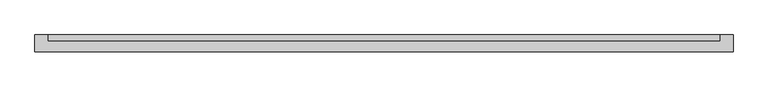
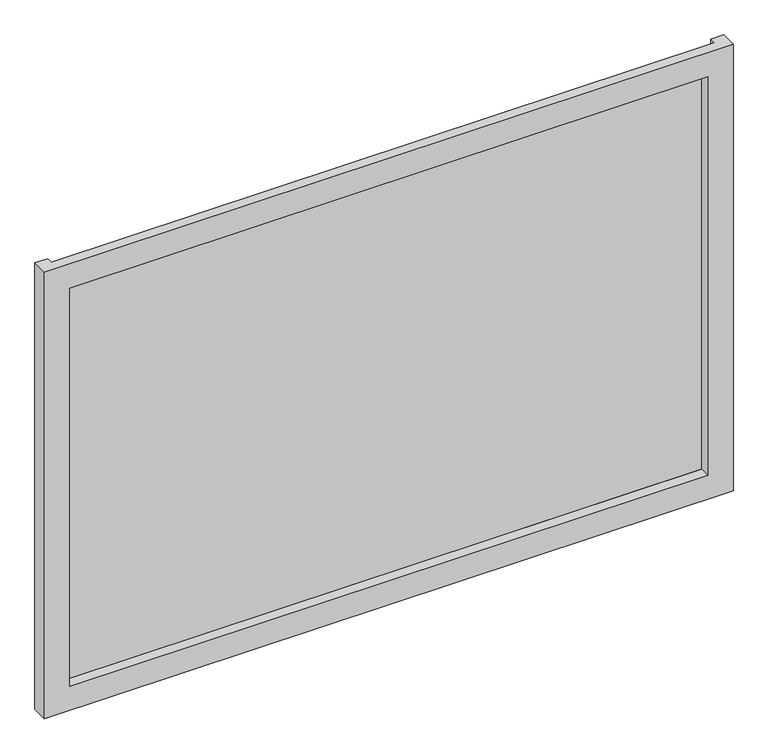
"""IFC4 building model written with IfcOpenShell, lengths in millimetres: plate geometry."""

import ifcopenshell
import ifcopenshell.guid

model = None  # the IFC model being written
_history = None  # IfcOwnerHistory: only IFC2X3 demands one
_inside = {}  # id of a spatial element -> (the spatial element, [elements in it])
_under = {}  # id of a project, library or spatial element -> (it, [spatial elements below it])
_declared = {}  # id of a project -> (the project, [libraries it declares])
_typed = {}  # id of a type object -> (the type object, [elements of that type])
_made_of = {}  # id of a material, layer set ... -> (it, [elements and type objects made of it])


def new_model(schema):
    """Start an empty IFC model of exactly this schema.

    Asked for "IFC4X3", IfcOpenShell would pick the latest addendum, in which some entities
    have other attributes; the version numbers below select the first issue.
    IFC2X3 requires an IfcOwnerHistory on every rooted entity: one is made here for all.
    """
    global model, _history
    if schema == "IFC4X3":
        model = ifcopenshell.file(schema_version=(4, 3, 0, 0))
    else:
        model = ifcopenshell.file(schema=schema)
    _inside.clear()
    _under.clear()
    _declared.clear()
    _typed.clear()
    _made_of.clear()
    _history = None
    if model.schema == "IFC2X3":
        org = make("IfcOrganization", Name="unknown")
        user = make(
            "IfcPersonAndOrganization",
            ThePerson=make("IfcPerson", FamilyName="unknown"),
            TheOrganization=org,
        )
        app = make(
            "IfcApplication",
            ApplicationDeveloper=org,
            Version="unknown",
            ApplicationFullName="unknown",
            ApplicationIdentifier="unknown",
        )
        _history = make(
            "IfcOwnerHistory",
            OwningUser=user,
            OwningApplication=app,
            ChangeAction="ADDED",
            CreationDate=0,
        )
    return model


def make(cls, **values):
    """One entity of the class cls with the attributes given. An attribute that is None is left unset."""
    return model.create_entity(
        cls, **{name: value for name, value in values.items() if value is not None}
    )


def rooted(cls, **values):
    """An entity with a GlobalId (a new one), such as an element, a storey or a relation."""
    return make(cls, GlobalId=ifcopenshell.guid.new(), OwnerHistory=_history, **values)


def si_unit(unit_type, name, prefix=None):
    """IfcSIUnit, for example si_unit("LENGTHUNIT", "METRE", prefix="MILLI")."""
    return make("IfcSIUnit", UnitType=unit_type, Prefix=prefix, Name=name)


def assignment(units):
    """IfcUnitAssignment: the units of a project."""
    return None if units is None else make("IfcUnitAssignment", Units=units)


def point(xyz):
    """IfcCartesianPoint."""
    return None if xyz is None else make("IfcCartesianPoint", Coordinates=xyz)


def direction(xyz):
    """IfcDirection."""
    return None if xyz is None else make("IfcDirection", DirectionRatios=xyz)


def frame(location, z_axis=None, x_axis=None):
    """IfcAxis2Placement3D, a coordinate frame: its origin and axes. An axis left out is left unset."""
    return make(
        "IfcAxis2Placement3D",
        Location=point(location),
        Axis=direction(z_axis),
        RefDirection=direction(x_axis),
    )


def origin():
    """The frame at (0, 0, 0) with its axes left unset."""
    return frame((0.0, 0.0, 0.0))


def origin_with_axes():
    """The frame at (0, 0, 0) with the z axis (0, 0, 1) and the x axis (1, 0, 0) written out."""
    return frame((0.0, 0.0, 0.0), z_axis=(0.0, 0.0, 1.0), x_axis=(1.0, 0.0, 0.0))


def place(relative_to, where):
    """IfcLocalPlacement: puts the frame where relative to a parent placement (None: the world)."""
    return make(
        "IfcLocalPlacement", PlacementRelTo=relative_to, RelativePlacement=where
    )


def context(
    kind, dimensions, precision=None, world=None, true_north=None, identifier=None
):
    """IfcGeometricRepresentationContext, for example the 3D "Model" context."""
    return make(
        "IfcGeometricRepresentationContext",
        ContextIdentifier=identifier,
        ContextType=kind,
        CoordinateSpaceDimension=dimensions,
        Precision=precision,
        WorldCoordinateSystem=world,
        TrueNorth=true_north,
    )


def project(units=None, contexts=None):
    """IfcProject with its units and contexts."""
    return rooted(
        "IfcProject",
        Name="project",
        RepresentationContexts=contexts,
        UnitsInContext=assignment(units),
    )


def spatial(cls, under=None, at=None, **own):
    """A site, building, storey or space (cls), placed at a placement, below another one or the project."""
    s = rooted(cls, ObjectPlacement=at, **own)
    if under is not None:
        _under.setdefault(under.id(), (under, []))[1].append(s)
    return s


def polyline(points):
    """IfcPolyline through the points."""
    return make("IfcPolyline", Points=[point(p) for p in points])


def outline(outer, holes=None, kind="AREA"):
    """IfcArbitraryClosedProfileDef: a profile drawn as a closed curve; with holes, ...WithVoids."""
    if holes is None:
        return make("IfcArbitraryClosedProfileDef", ProfileType=kind, OuterCurve=outer)
    return make(
        "IfcArbitraryProfileDefWithVoids",
        ProfileType=kind,
        OuterCurve=outer,
        InnerCurves=holes,
    )


def extrude(swept, where, along, depth):
    """IfcExtrudedAreaSolid: the profile swept, set in the frame where, extruded along a direction by depth."""
    return make(
        "IfcExtrudedAreaSolid",
        SweptArea=swept,
        Position=where,
        ExtrudedDirection=direction(along),
        Depth=depth,
    )


def faces_of(points, faces, orient=None, outer=None):
    """IfcFace entities. A face is a list of loops; a loop is a list of indices into points, from 0.

    orient and outer hold one flag for each loop. By default every Orientation is true, the
    first loop of a face is its IfcFaceOuterBound and the others are IfcFaceBound.
    """
    made = []
    for i, loops in enumerate(faces):
        bounds = []
        for j, loop in enumerate(loops):
            is_outer = j == 0 if outer is None else outer[i][j]
            bounds.append(
                make(
                    "IfcFaceOuterBound" if is_outer else "IfcFaceBound",
                    Bound=make("IfcPolyLoop", Polygon=[points[k] for k in loop]),
                    Orientation=True if orient is None else orient[i][j],
                )
            )
        made.append(make("IfcFace", Bounds=bounds))
    return made


def faceted_brep(points, faces, orient=None, outer=None, voids=None):
    """IfcFacetedBrep: a solid bounded by flat faces; with voids (closed shells), ...WithVoids."""
    shared = [point(p) for p in points]
    hull = make("IfcClosedShell", CfsFaces=faces_of(shared, faces, orient, outer))
    if voids is None:
        return make("IfcFacetedBrep", Outer=hull)
    return make(
        "IfcFacetedBrepWithVoids",
        Outer=hull,
        Voids=[
            make(cls, CfsFaces=faces_of(shared, fs, o, b)) for cls, fs, o, b in voids
        ],
    )


def shape(context_of_items, identifier, shape_type, items):
    """IfcShapeRepresentation: the items that make up one representation, for example the "Body"."""
    return make(
        "IfcShapeRepresentation",
        ContextOfItems=context_of_items,
        RepresentationIdentifier=identifier,
        RepresentationType=shape_type,
        Items=items,
    )


def source(mapping_origin, context_of_items, identifier, shape_type, items):
    """IfcRepresentationMap: a shape defined once, which mapped items show again and again."""
    return make(
        "IfcRepresentationMap",
        MappingOrigin=mapping_origin,
        MappedRepresentation=shape(context_of_items, identifier, shape_type, items),
    )


def transform(
    local_origin,
    x_axis=None,
    y_axis=None,
    z_axis=None,
    scale=None,
    scale2=None,
    scale3=None,
    uniform=True,
):
    """IfcCartesianTransformationOperator3D, or its non-uniform kind. x_axis, y_axis, z_axis: its Axis1, 2, 3."""
    if uniform:
        return make(
            "IfcCartesianTransformationOperator3D",
            Axis1=direction(x_axis),
            Axis2=direction(y_axis),
            LocalOrigin=point(local_origin),
            Scale=scale,
            Axis3=direction(z_axis),
        )
    return make(
        "IfcCartesianTransformationOperator3DnonUniform",
        Axis1=direction(x_axis),
        Axis2=direction(y_axis),
        LocalOrigin=point(local_origin),
        Scale=scale,
        Axis3=direction(z_axis),
        Scale2=scale2,
        Scale3=scale3,
    )


def mapped(mapping_source, mapping_target):
    """IfcMappedItem: shows the shape of a source again, moved by a transform."""
    return make(
        "IfcMappedItem", MappingSource=mapping_source, MappingTarget=mapping_target
    )


def made_of(thing, what):
    """Note that an element or type object is made of a material, layer set ...; save() writes the relation."""
    if what is not None:
        _made_of.setdefault(what.id(), (what, []))[1].append(thing)
    return thing


def element(
    cls,
    number,
    at=None,
    inside=None,
    cuts=None,
    type_object=None,
    material=None,
    context=None,
    identifier="Body",
    shape_type=None,
    held_by="IfcProductDefinitionShape",
    body=None,
    shapes=None,
    **own,
):
    """One element of the class cls, such as IfcWall. Its Tag is "e" and its number.

    at: its placement. inside: the storey or other place that contains it. cuts: it is an
    opening in that element (IfcRelVoidsElement). A single representation is given by context,
    identifier, shape_type and body (its items); several are given by shapes. held_by: the class
    of the entity that holds the representations. save() writes the other relations.
    """
    e = rooted(cls, Tag="e%d" % number, ObjectPlacement=at, **own)
    if body is not None:
        shapes = [shape(context, identifier, shape_type, body)]
    if shapes is not None:
        e.Representation = make(held_by, Representations=shapes)
    if inside is not None:
        _inside.setdefault(inside.id(), (inside, []))[1].append(e)
    if cuts is not None:
        rooted(
            "IfcRelVoidsElement", RelatingBuildingElement=cuts, RelatedOpeningElement=e
        )
    if type_object is not None:
        _typed.setdefault(type_object.id(), (type_object, []))[1].append(e)
    return made_of(e, material)


def aggregate(whole, parts):
    """IfcRelAggregates: a whole, such as a stair, and the parts it consists of."""
    return rooted("IfcRelAggregates", RelatingObject=whole, RelatedObjects=parts)


def save(model, path):
    """Write the relations noted so far, then the file.

    IfcRelAggregates (storeys below a building ...), IfcRelContainedInSpatialStructure (elements
    in a storey), IfcRelDefinesByType, IfcRelAssociatesMaterial and IfcRelDeclares: one each for
    every whole, place, type object, material and project.
    """
    for whole, parts in _under.values():
        aggregate(whole, parts)
    for where, things in _inside.values():
        rooted(
            "IfcRelContainedInSpatialStructure",
            RelatedElements=things,
            RelatingStructure=where,
        )
    for kind, things in _typed.values():
        rooted("IfcRelDefinesByType", RelatedObjects=things, RelatingType=kind)
    for what, things in _made_of.values():
        rooted("IfcRelAssociatesMaterial", RelatedObjects=things, RelatingMaterial=what)
    for by, libraries in _declared.values():
        rooted("IfcRelDeclares", RelatingContext=by, RelatedDefinitions=libraries)
    model.write(path)


def plate_5b02fdd6(model_context):
    return source(origin(), model_context, "Body", "SolidModel", [
        faceted_brep([(675.0, -50.9, -50.0), (675.0, -83.3, -50.0), (-675.0, -83.3, -50.0), (-675.0, -50.9, -50.0), (-650.0, -50.9, -50.0), (-650.0, -63.3, -50.0), (650.0, -63.3, -50.0), (650.0, -50.9, -50.0), (625.0, -83.3, 0.0), (625.0, -63.3, 0.0), (-625.0, -63.3, 0.0), (-625.0, -83.3, 0.0), (675.0, -83.3, 875.0), (-675.0, -83.3, 875.0), (-625.0, -83.3, 825.0), (625.0, -83.3, 825.0), (-650.0, -63.3, 875.0), (650.0, -63.3, 875.0), (625.0, -63.3, 825.0), (-625.0, -63.3, 825.0), (675.0, -50.9, 875.0), (650.0, -50.9, 875.0), (-650.0, -50.9, 875.0), (-675.0, -50.9, 875.0)], [[[0, 1, 2, 3, 4, 5, 6, 7]], [[8, 9, 10, 11]], [[12, 13, 2, 1], [11, 14, 15, 8]], [[16, 17, 6, 5], [9, 18, 19, 10]], [[20, 21, 17, 16, 22, 23, 13, 12]], [[20, 0, 7, 21]], [[21, 7, 6, 17]], [[8, 15, 18, 9]], [[12, 1, 0, 20]], [[22, 4, 3, 23]], [[16, 5, 4, 22]], [[10, 19, 14, 11]], [[23, 3, 2, 13]], [[18, 15, 14, 19]]]),
        extrude(outline(polyline([(650.0, -50.9), (650.0, -63.3), (-650.0, -63.3), (-650.0, -50.9), (650.0, -50.9)])), origin_with_axes(), (0.0, 0.0, 1.0), 825.0),
    ])


if __name__ == "__main__":
    model = new_model("IFC4")
    model_context = context("Model", 3, world=origin())
    ifc_project = project(units=[si_unit("LENGTHUNIT", "METRE", prefix="MILLI")], contexts=[model_context])
    site = spatial("IfcSite", under=ifc_project)
    building = spatial("IfcBuilding", under=site)
    placement = place(None, origin())
    plate_shape = plate_5b02fdd6(model_context)
    element("IfcPlate", 1, at=placement, inside=building, context=model_context, shape_type="MappedRepresentation", body=[
        mapped(plate_shape, transform((0.0, 0.0, 0.0), x_axis=(1.0, 0.0, 0.0), y_axis=(0.0, 1.0, 0.0), z_axis=(0.0, 0.0, 1.0))),
    ])
    save(model, "model.ifc")
